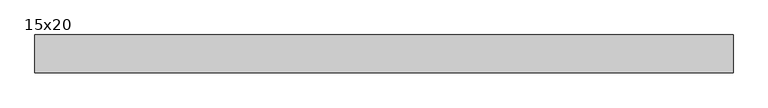
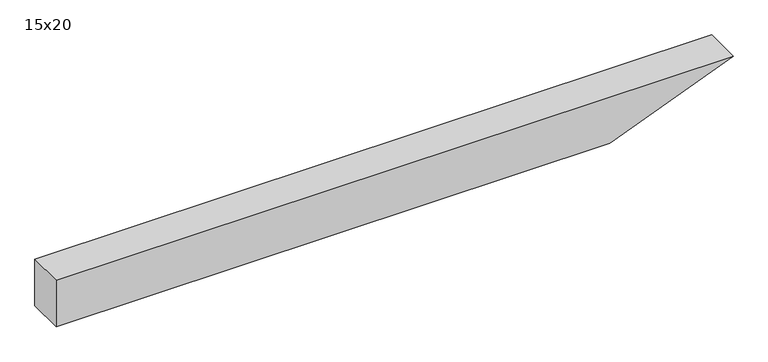
"""IFC4 building model written with IfcOpenShell, lengths in millimetres: beam geometry, 15x20."""

from ifc_helpers import new_model, si_unit, frame, origin, place, context, project, spatial, polyline, outline, extrude, source, transform, mapped, element, save


def beam_15x20_7eeb2129(model_context):
    return source(origin(), model_context, "Body", "SweptSolid", [
        extrude(outline(polyline([(100.0, -1402.0), (-100.0, -1402.0), (-100.0, 849.8), (100.0, 1352.0), (100.0, -1402.0)])), frame((0.0, -75.0, 0.0), z_axis=(0.0, 1.0, 0.0), x_axis=(0.0, 0.0, 1.0)), (0.0, 0.0, 1.0), 150.0),
    ])


if __name__ == "__main__":
    model = new_model("IFC4")
    model_context = context("Model", 3, world=origin())
    ifc_project = project(units=[si_unit("LENGTHUNIT", "METRE", prefix="MILLI")], contexts=[model_context])
    site = spatial("IfcSite", under=ifc_project)
    building = spatial("IfcBuilding", under=site)
    placement = place(None, origin())
    beam_15x20_shape = beam_15x20_7eeb2129(model_context)
    element("IfcBeam", 1, ObjectType="15x20", at=placement, inside=building, context=model_context, shape_type="MappedRepresentation", body=[
        mapped(beam_15x20_shape, transform((0.0, 0.0, 0.0), x_axis=(1.0, 0.0, 0.0), y_axis=(0.0, 1.0, 0.0), z_axis=(0.0, 0.0, 1.0))),
    ])
    save(model, "model.ifc")
